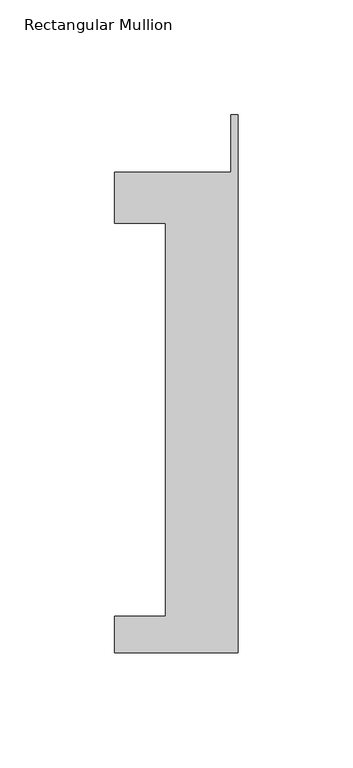
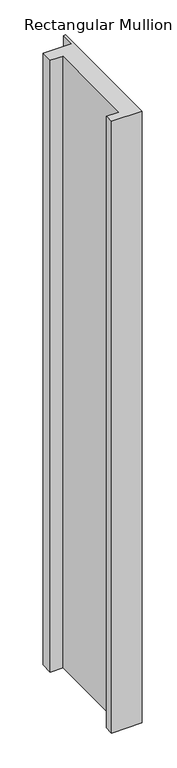
"""IFC4 building model written with IfcOpenShell, lengths in millimetres: member geometry, Rectangular Mullion."""

from ifc_helpers import new_model, si_unit, frame, origin, place, context, project, spatial, polyline, outline, extrude, source, transform, mapped, element, save


def rectangular_mullion_7104f645(model_context):
    return source(origin(), model_context, "Body", "SweptSolid", [
        extrude(outline(polyline([(-53.975, -221.996), (-53.975, -206.121), (-31.75, -206.121), (-31.75, -34.671), (-53.975, -34.671), (-53.975, -12.446), (-3.175, -12.446), (-3.175, 12.7), (0.0, 12.7), (0.0, -221.996), (-53.975, -221.996)])), frame((0.0, 0.0, -1139.825), z_axis=(0.0, 0.0, 1.0), x_axis=(1.0, 0.0, 0.0)), (0.0, 0.0, 1.0), 1139.825),
    ])


if __name__ == "__main__":
    model = new_model("IFC4")
    model_context = context("Model", 3, world=origin())
    ifc_project = project(units=[si_unit("LENGTHUNIT", "METRE", prefix="MILLI")], contexts=[model_context])
    site = spatial("IfcSite", under=ifc_project)
    building = spatial("IfcBuilding", under=site)
    placement = place(None, origin())
    rectangular_mullion_shape = rectangular_mullion_7104f645(model_context)
    element("IfcMember", 1, ObjectType="Rectangular Mullion", at=placement, inside=building, context=model_context, shape_type="MappedRepresentation", body=[
        mapped(rectangular_mullion_shape, transform((0.0, 0.0, 0.0), x_axis=(1.0, 0.0, 0.0), y_axis=(0.0, 1.0, 0.0), z_axis=(0.0, 0.0, 1.0))),
    ])
    save(model, "model.ifc")
